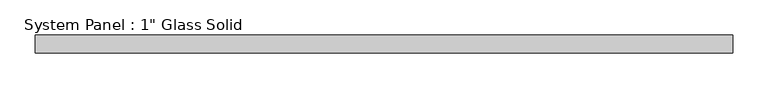
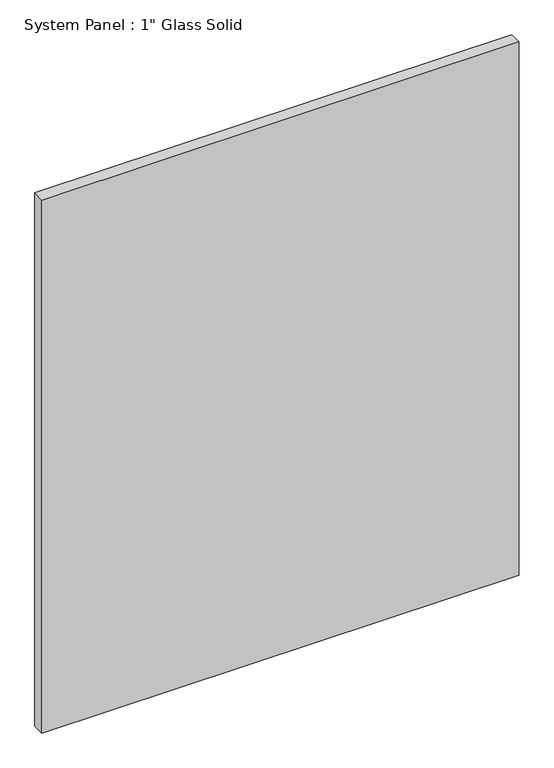
"""IFC4 building model written with IfcOpenShell, lengths in millimetres: plate geometry."""

from ifc_helpers import new_model, si_unit, origin, origin_with_axes, place, context, project, spatial, polyline, outline, extrude, source, transform, mapped, element, save


def plate_ab549896(model_context):
    return source(origin(), model_context, "Body", "SweptSolid", [
        extrude(outline(polyline([(495.3008852, -12.7), (-495.3008852, -12.7), (-495.3008852, 12.7), (495.3008852, 12.7), (495.3008852, -12.7)])), origin_with_axes(), (0.0, 0.0, 1.0), 1169.5594027),
    ])


if __name__ == "__main__":
    model = new_model("IFC4")
    model_context = context("Model", 3, world=origin())
    ifc_project = project(units=[si_unit("LENGTHUNIT", "METRE", prefix="MILLI")], contexts=[model_context])
    site = spatial("IfcSite", under=ifc_project)
    building = spatial("IfcBuilding", under=site)
    placement = place(None, origin())
    plate_shape = plate_ab549896(model_context)
    element("IfcPlate", 1, ObjectType="System Panel : 1\" Glass Solid", at=placement, inside=building, context=model_context, shape_type="MappedRepresentation", body=[
        mapped(plate_shape, transform((0.0, 0.0, 0.0), x_axis=(1.0, 0.0, 0.0), y_axis=(0.0, 1.0, 0.0), z_axis=(0.0, 0.0, 1.0))),
    ])
    save(model, "model.ifc")
